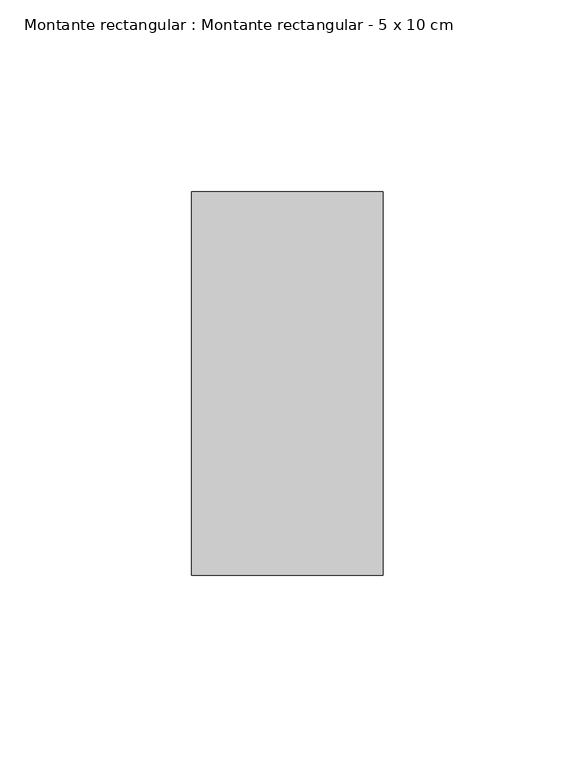
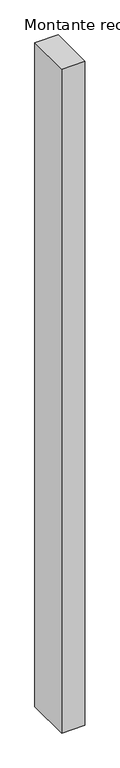
"""IFC4 building model written with IfcOpenShell, lengths in millimetres: member geometry, Montante rectangular : Montante rectangular - 5 x 10 cm."""

from ifc_helpers import new_model, si_unit, frame, origin, place, context, project, spatial, polyline, outline, extrude, source, transform, mapped, element, save


def montante_rectangular_montante_rectangular_5_x_10_cm_42c4d6f0(model_context):
    return source(origin(), model_context, "Body", "SweptSolid", [
        extrude(outline(polyline([(0.0, 50.0), (0.0, -50.0), (-50.0, -50.0), (-50.0, 50.0), (0.0, 50.0)])), frame((0.0, 0.0, -1519.9740771), z_axis=(0.0, 0.0, 1.0), x_axis=(1.0, 0.0, 0.0)), (0.0, 0.0, 1.0), 1519.9740771),
    ])


if __name__ == "__main__":
    model = new_model("IFC4")
    model_context = context("Model", 3, world=origin())
    ifc_project = project(units=[si_unit("LENGTHUNIT", "METRE", prefix="MILLI")], contexts=[model_context])
    site = spatial("IfcSite", under=ifc_project)
    building = spatial("IfcBuilding", under=site)
    placement = place(None, origin())
    montante_rectangular_montante_rectangular_5_x_10_cm_shape = montante_rectangular_montante_rectangular_5_x_10_cm_42c4d6f0(model_context)
    element("IfcMember", 1, ObjectType="Montante rectangular : Montante rectangular - 5 x 10 cm", at=placement, inside=building, context=model_context, shape_type="MappedRepresentation", body=[
        mapped(montante_rectangular_montante_rectangular_5_x_10_cm_shape, transform((0.0, 0.0, 0.0), x_axis=(1.0, 0.0, 0.0), y_axis=(0.0, 1.0, 0.0), z_axis=(0.0, 0.0, 1.0))),
    ])
    save(model, "model.ifc")
